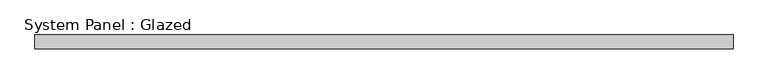
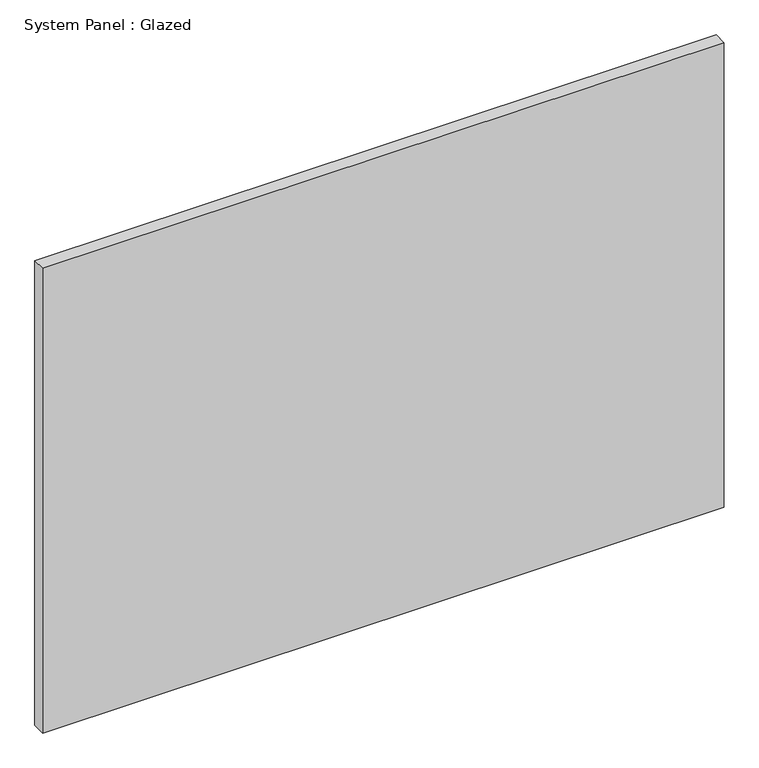
"""IFC4 building model written with IfcOpenShell, lengths in millimetres: plate geometry, System Panel : Glazed."""

from ifc_helpers import new_model, si_unit, origin, origin_with_axes, place, context, project, spatial, polyline, outline, extrude, source, transform, mapped, element, save


def system_panel_glazed_a78975b0(model_context):
    return source(origin(), model_context, "Body", "SweptSolid", [
        extrude(outline(polyline([(641.6666666, 24.5), (-641.6666666, 24.5), (-641.6666666, 49.5), (641.6666666, 49.5), (641.6666666, 24.5)])), origin_with_axes(), (0.0, 0.0, 1.0), 925.0),
    ])


if __name__ == "__main__":
    model = new_model("IFC4")
    model_context = context("Model", 3, world=origin())
    ifc_project = project(units=[si_unit("LENGTHUNIT", "METRE", prefix="MILLI")], contexts=[model_context])
    site = spatial("IfcSite", under=ifc_project)
    building = spatial("IfcBuilding", under=site)
    placement = place(None, origin())
    system_panel_glazed_shape = system_panel_glazed_a78975b0(model_context)
    element("IfcPlate", 1, ObjectType="System Panel : Glazed", at=placement, inside=building, context=model_context, shape_type="MappedRepresentation", body=[
        mapped(system_panel_glazed_shape, transform((0.0, 0.0, 0.0), x_axis=(1.0, 0.0, 0.0), y_axis=(0.0, 1.0, 0.0), z_axis=(0.0, 0.0, 1.0))),
    ])
    save(model, "model.ifc")
